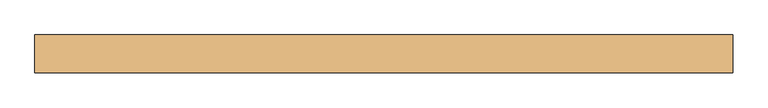
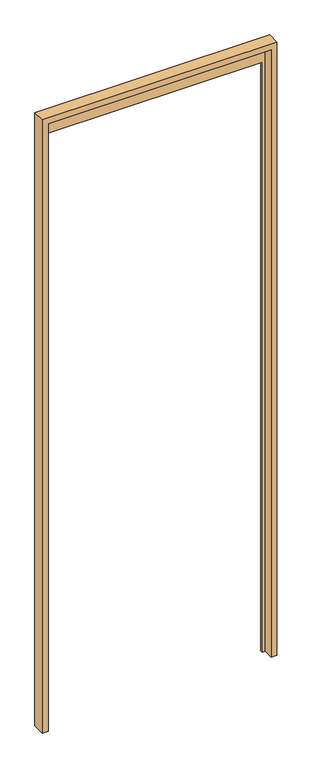
"""IFC4 building model written with IfcOpenShell, lengths in millimetres: door geometry."""

import ifcopenshell
import ifcopenshell.guid

model = None  # the IFC model being written
_history = None  # IfcOwnerHistory: only IFC2X3 demands one
_inside = {}  # id of a spatial element -> (the spatial element, [elements in it])
_under = {}  # id of a project, library or spatial element -> (it, [spatial elements below it])
_declared = {}  # id of a project -> (the project, [libraries it declares])
_typed = {}  # id of a type object -> (the type object, [elements of that type])
_made_of = {}  # id of a material, layer set ... -> (it, [elements and type objects made of it])


def new_model(schema):
    """Start an empty IFC model of exactly this schema.

    Asked for "IFC4X3", IfcOpenShell would pick the latest addendum, in which some entities
    have other attributes; the version numbers below select the first issue.
    IFC2X3 requires an IfcOwnerHistory on every rooted entity: one is made here for all.
    """
    global model, _history
    if schema == "IFC4X3":
        model = ifcopenshell.file(schema_version=(4, 3, 0, 0))
    else:
        model = ifcopenshell.file(schema=schema)
    _inside.clear()
    _under.clear()
    _declared.clear()
    _typed.clear()
    _made_of.clear()
    _history = None
    if model.schema == "IFC2X3":
        org = make("IfcOrganization", Name="unknown")
        user = make(
            "IfcPersonAndOrganization",
            ThePerson=make("IfcPerson", FamilyName="unknown"),
            TheOrganization=org,
        )
        app = make(
            "IfcApplication",
            ApplicationDeveloper=org,
            Version="unknown",
            ApplicationFullName="unknown",
            ApplicationIdentifier="unknown",
        )
        _history = make(
            "IfcOwnerHistory",
            OwningUser=user,
            OwningApplication=app,
            ChangeAction="ADDED",
            CreationDate=0,
        )
    return model


def make(cls, **values):
    """One entity of the class cls with the attributes given. An attribute that is None is left unset."""
    return model.create_entity(
        cls, **{name: value for name, value in values.items() if value is not None}
    )


def rooted(cls, **values):
    """An entity with a GlobalId (a new one), such as an element, a storey or a relation."""
    return make(cls, GlobalId=ifcopenshell.guid.new(), OwnerHistory=_history, **values)


def si_unit(unit_type, name, prefix=None):
    """IfcSIUnit, for example si_unit("LENGTHUNIT", "METRE", prefix="MILLI")."""
    return make("IfcSIUnit", UnitType=unit_type, Prefix=prefix, Name=name)


def assignment(units):
    """IfcUnitAssignment: the units of a project."""
    return None if units is None else make("IfcUnitAssignment", Units=units)


def point(xyz):
    """IfcCartesianPoint."""
    return None if xyz is None else make("IfcCartesianPoint", Coordinates=xyz)


def direction(xyz):
    """IfcDirection."""
    return None if xyz is None else make("IfcDirection", DirectionRatios=xyz)


def frame(location, z_axis=None, x_axis=None):
    """IfcAxis2Placement3D, a coordinate frame: its origin and axes. An axis left out is left unset."""
    return make(
        "IfcAxis2Placement3D",
        Location=point(location),
        Axis=direction(z_axis),
        RefDirection=direction(x_axis),
    )


def origin():
    """The frame at (0, 0, 0) with its axes left unset."""
    return frame((0.0, 0.0, 0.0))


def place(relative_to, where):
    """IfcLocalPlacement: puts the frame where relative to a parent placement (None: the world)."""
    return make(
        "IfcLocalPlacement", PlacementRelTo=relative_to, RelativePlacement=where
    )


def context(
    kind, dimensions, precision=None, world=None, true_north=None, identifier=None
):
    """IfcGeometricRepresentationContext, for example the 3D "Model" context."""
    return make(
        "IfcGeometricRepresentationContext",
        ContextIdentifier=identifier,
        ContextType=kind,
        CoordinateSpaceDimension=dimensions,
        Precision=precision,
        WorldCoordinateSystem=world,
        TrueNorth=true_north,
    )


def project(units=None, contexts=None):
    """IfcProject with its units and contexts."""
    return rooted(
        "IfcProject",
        Name="project",
        RepresentationContexts=contexts,
        UnitsInContext=assignment(units),
    )


def spatial(cls, under=None, at=None, **own):
    """A site, building, storey or space (cls), placed at a placement, below another one or the project."""
    s = rooted(cls, ObjectPlacement=at, **own)
    if under is not None:
        _under.setdefault(under.id(), (under, []))[1].append(s)
    return s


def faces_of(points, faces, orient=None, outer=None):
    """IfcFace entities. A face is a list of loops; a loop is a list of indices into points, from 0.

    orient and outer hold one flag for each loop. By default every Orientation is true, the
    first loop of a face is its IfcFaceOuterBound and the others are IfcFaceBound.
    """
    made = []
    for i, loops in enumerate(faces):
        bounds = []
        for j, loop in enumerate(loops):
            is_outer = j == 0 if outer is None else outer[i][j]
            bounds.append(
                make(
                    "IfcFaceOuterBound" if is_outer else "IfcFaceBound",
                    Bound=make("IfcPolyLoop", Polygon=[points[k] for k in loop]),
                    Orientation=True if orient is None else orient[i][j],
                )
            )
        made.append(make("IfcFace", Bounds=bounds))
    return made


def faceted_brep(points, faces, orient=None, outer=None, voids=None):
    """IfcFacetedBrep: a solid bounded by flat faces; with voids (closed shells), ...WithVoids."""
    shared = [point(p) for p in points]
    hull = make("IfcClosedShell", CfsFaces=faces_of(shared, faces, orient, outer))
    if voids is None:
        return make("IfcFacetedBrep", Outer=hull)
    return make(
        "IfcFacetedBrepWithVoids",
        Outer=hull,
        Voids=[
            make(cls, CfsFaces=faces_of(shared, fs, o, b)) for cls, fs, o, b in voids
        ],
    )


def shape(context_of_items, identifier, shape_type, items):
    """IfcShapeRepresentation: the items that make up one representation, for example the "Body"."""
    return make(
        "IfcShapeRepresentation",
        ContextOfItems=context_of_items,
        RepresentationIdentifier=identifier,
        RepresentationType=shape_type,
        Items=items,
    )


def source(mapping_origin, context_of_items, identifier, shape_type, items):
    """IfcRepresentationMap: a shape defined once, which mapped items show again and again."""
    return make(
        "IfcRepresentationMap",
        MappingOrigin=mapping_origin,
        MappedRepresentation=shape(context_of_items, identifier, shape_type, items),
    )


def transform(
    local_origin,
    x_axis=None,
    y_axis=None,
    z_axis=None,
    scale=None,
    scale2=None,
    scale3=None,
    uniform=True,
):
    """IfcCartesianTransformationOperator3D, or its non-uniform kind. x_axis, y_axis, z_axis: its Axis1, 2, 3."""
    if uniform:
        return make(
            "IfcCartesianTransformationOperator3D",
            Axis1=direction(x_axis),
            Axis2=direction(y_axis),
            LocalOrigin=point(local_origin),
            Scale=scale,
            Axis3=direction(z_axis),
        )
    return make(
        "IfcCartesianTransformationOperator3DnonUniform",
        Axis1=direction(x_axis),
        Axis2=direction(y_axis),
        LocalOrigin=point(local_origin),
        Scale=scale,
        Axis3=direction(z_axis),
        Scale2=scale2,
        Scale3=scale3,
    )


def mapped(mapping_source, mapping_target):
    """IfcMappedItem: shows the shape of a source again, moved by a transform."""
    return make(
        "IfcMappedItem", MappingSource=mapping_source, MappingTarget=mapping_target
    )


def made_of(thing, what):
    """Note that an element or type object is made of a material, layer set ...; save() writes the relation."""
    if what is not None:
        _made_of.setdefault(what.id(), (what, []))[1].append(thing)
    return thing


def element(
    cls,
    number,
    at=None,
    inside=None,
    cuts=None,
    type_object=None,
    material=None,
    context=None,
    identifier="Body",
    shape_type=None,
    held_by="IfcProductDefinitionShape",
    body=None,
    shapes=None,
    **own,
):
    """One element of the class cls, such as IfcWall. Its Tag is "e" and its number.

    at: its placement. inside: the storey or other place that contains it. cuts: it is an
    opening in that element (IfcRelVoidsElement). A single representation is given by context,
    identifier, shape_type and body (its items); several are given by shapes. held_by: the class
    of the entity that holds the representations. save() writes the other relations.
    """
    e = rooted(cls, Tag="e%d" % number, ObjectPlacement=at, **own)
    if body is not None:
        shapes = [shape(context, identifier, shape_type, body)]
    if shapes is not None:
        e.Representation = make(held_by, Representations=shapes)
    if inside is not None:
        _inside.setdefault(inside.id(), (inside, []))[1].append(e)
    if cuts is not None:
        rooted(
            "IfcRelVoidsElement", RelatingBuildingElement=cuts, RelatedOpeningElement=e
        )
    if type_object is not None:
        _typed.setdefault(type_object.id(), (type_object, []))[1].append(e)
    return made_of(e, material)


def aggregate(whole, parts):
    """IfcRelAggregates: a whole, such as a stair, and the parts it consists of."""
    return rooted("IfcRelAggregates", RelatingObject=whole, RelatedObjects=parts)


def save(model, path):
    """Write the relations noted so far, then the file.

    IfcRelAggregates (storeys below a building ...), IfcRelContainedInSpatialStructure (elements
    in a storey), IfcRelDefinesByType, IfcRelAssociatesMaterial and IfcRelDeclares: one each for
    every whole, place, type object, material and project.
    """
    for whole, parts in _under.values():
        aggregate(whole, parts)
    for where, things in _inside.values():
        rooted(
            "IfcRelContainedInSpatialStructure",
            RelatedElements=things,
            RelatingStructure=where,
        )
    for kind, things in _typed.values():
        rooted("IfcRelDefinesByType", RelatedObjects=things, RelatingType=kind)
    for what, things in _made_of.values():
        rooted("IfcRelAssociatesMaterial", RelatedObjects=things, RelatingMaterial=what)
    for by, libraries in _declared.values():
        rooted("IfcRelDeclares", RelatingContext=by, RelatedDefinitions=libraries)
    model.write(path)


def door_67dd4c46(model_context):
    return source(origin(), model_context, "Body", "Brep", [
        faceted_brep([(-500.0, -27.0, 0.0), (-500.0, 27.0, 0.0), (-463.0, 27.0, 0.0), (-463.0, 17.5, 0.0), (-475.0, 17.5, 0.0), (-475.0, -27.0, 0.0), (500.0, 27.0, 0.0), (500.0, -27.0, 0.0), (475.0, -27.0, 0.0), (475.0, 17.5, 0.0), (463.0, 17.5, 0.0), (463.0, 27.0, 0.0), (-500.0, -27.0, 2762.0), (-500.0, 27.0, 2762.0), (500.0, 27.0, 2762.0), (463.0, 27.0, 2657.0), (-463.0, 27.0, 2657.0), (-475.0, 17.5, 2737.0), (-475.0, -27.0, 2737.0), (500.0, -27.0, 2762.0), (475.0, -27.0, 2737.0), (475.0, 17.5, 2737.0), (-463.0, 17.5, 2657.0), (463.0, 17.5, 2657.0)], [[[0, 1, 2, 3, 4, 5]], [[6, 7, 8, 9, 10, 11]], [[12, 13, 1, 0]], [[13, 14, 6, 11, 15, 16, 2, 1]], [[17, 18, 5, 4]], [[19, 12, 0, 5, 18, 20, 8, 7]], [[14, 19, 7, 6]], [[20, 21, 9, 8]], [[19, 14, 13, 12]], [[18, 17, 21, 20]], [[16, 22, 3, 2]], [[21, 17, 4, 3, 22, 23, 10, 9]], [[23, 15, 11, 10]], [[15, 23, 22, 16]]]),
    ])


if __name__ == "__main__":
    model = new_model("IFC4")
    model_context = context("Model", 3, world=origin())
    ifc_project = project(units=[si_unit("LENGTHUNIT", "METRE", prefix="MILLI")], contexts=[model_context])
    site = spatial("IfcSite", under=ifc_project)
    building = spatial("IfcBuilding", under=site)
    placement = place(None, origin())
    door_shape = door_67dd4c46(model_context)
    element("IfcDoor", 1, at=placement, inside=building, context=model_context, shape_type="MappedRepresentation", body=[
        mapped(door_shape, transform((0.0, 0.0, 0.0), x_axis=(1.0, 0.0, 0.0), y_axis=(0.0, 1.0, 0.0), z_axis=(0.0, 0.0, 1.0))),
    ])
    save(model, "model.ifc")
